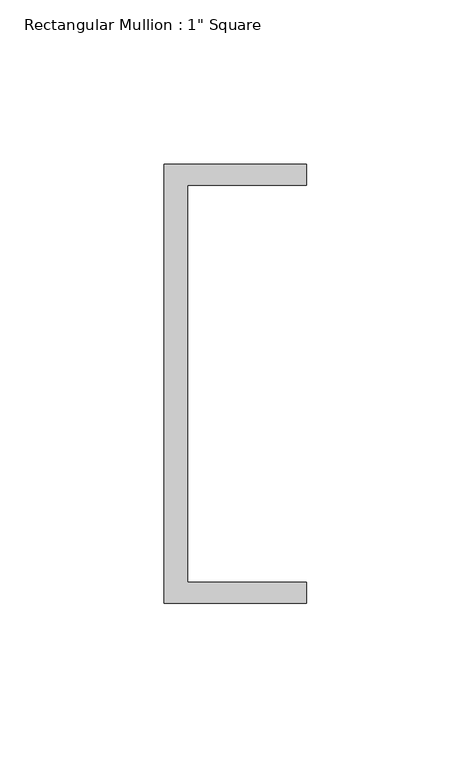
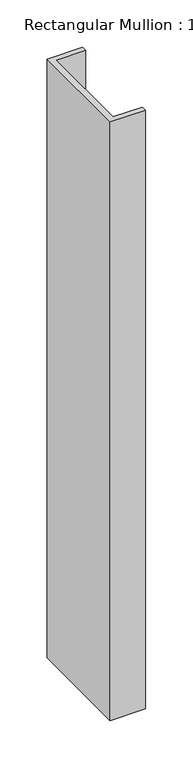
"""IFC4 building model written with IfcOpenShell, lengths in millimetres: member geometry."""

from ifc_helpers import new_model, si_unit, frame, origin, place, context, project, spatial, polyline, outline, extrude, source, transform, mapped, element, save


def member_a9d22630(model_context):
    return source(origin(), model_context, "Body", "SweptSolid", [
        extrude(outline(polyline([(-18.6549463, 135.2608739), (24.5675083, 135.2608739), (24.5675083, 128.9108739), (-11.6110886, 128.9108739), (-11.6110886, 8.2608739), (24.5675083, 8.2608739), (24.5675083, 1.9108739), (-18.6549463, 1.9108739), (-18.6549463, 135.2608739)])), frame((0.0, 0.0, -772.560641), z_axis=(0.0, 0.0, 1.0), x_axis=(1.0, 0.0, 0.0)), (0.0, 0.0, 1.0), 772.560641),
    ])


if __name__ == "__main__":
    model = new_model("IFC4")
    model_context = context("Model", 3, world=origin())
    ifc_project = project(units=[si_unit("LENGTHUNIT", "METRE", prefix="MILLI")], contexts=[model_context])
    site = spatial("IfcSite", under=ifc_project)
    building = spatial("IfcBuilding", under=site)
    placement = place(None, origin())
    member_shape = member_a9d22630(model_context)
    element("IfcMember", 1, ObjectType="Rectangular Mullion : 1\" Square", at=placement, inside=building, context=model_context, shape_type="MappedRepresentation", body=[
        mapped(member_shape, transform((0.0, 0.0, 0.0), x_axis=(1.0, 0.0, 0.0), y_axis=(0.0, 1.0, 0.0), z_axis=(0.0, 0.0, 1.0))),
    ])
    save(model, "model.ifc")
